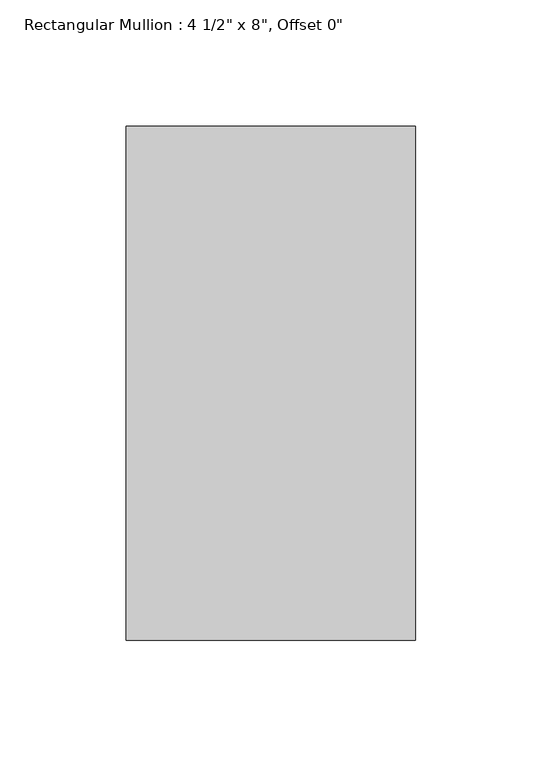
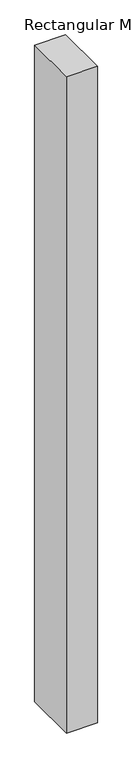
"""IFC4 building model written with IfcOpenShell, lengths in millimetres: member geometry."""

from ifc_helpers import new_model, si_unit, frame, origin, place, context, project, spatial, polyline, outline, extrude, source, transform, mapped, element, save


def member_b8570260(model_context):
    return source(origin(), model_context, "Body", "SweptSolid", [
        extrude(outline(polyline([(0.0, 101.6), (0.0, -101.6), (-114.3, -101.6), (-114.3, 101.6), (0.0, 101.6)])), frame((0.0, 0.0, -2565.4), z_axis=(0.0, 0.0, 1.0), x_axis=(1.0, 0.0, 0.0)), (0.0, 0.0, 1.0), 2565.4),
    ])


if __name__ == "__main__":
    model = new_model("IFC4")
    model_context = context("Model", 3, world=origin())
    ifc_project = project(units=[si_unit("LENGTHUNIT", "METRE", prefix="MILLI")], contexts=[model_context])
    site = spatial("IfcSite", under=ifc_project)
    building = spatial("IfcBuilding", under=site)
    placement = place(None, origin())
    member_shape = member_b8570260(model_context)
    element("IfcMember", 1, ObjectType="Rectangular Mullion : 4 1/2\" x 8\", Offset 0\"", at=placement, inside=building, context=model_context, shape_type="MappedRepresentation", body=[
        mapped(member_shape, transform((0.0, 0.0, 0.0), x_axis=(1.0, 0.0, 0.0), y_axis=(0.0, 1.0, 0.0), z_axis=(0.0, 0.0, 1.0))),
    ])
    save(model, "model.ifc")
